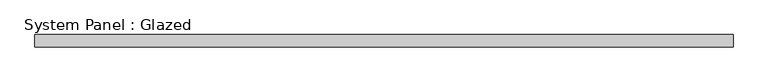
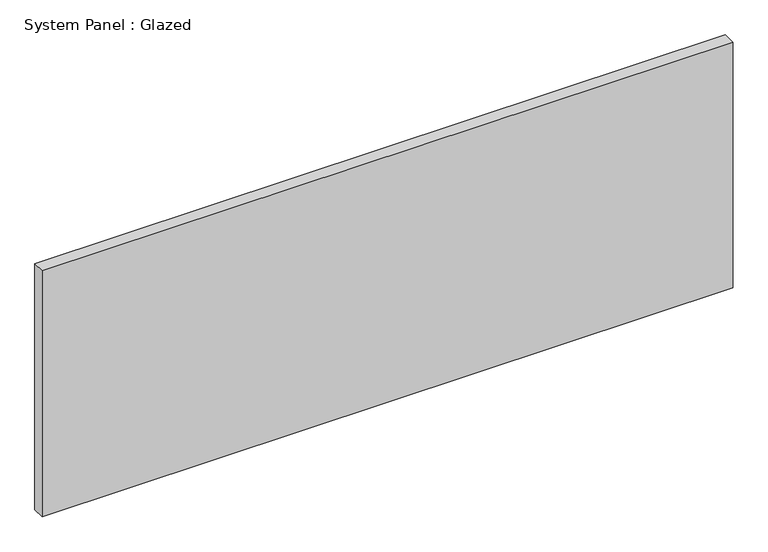
"""IFC4 building model written with IfcOpenShell, lengths in millimetres: plate geometry, System Panel : Glazed."""

import ifcopenshell
import ifcopenshell.guid

model = None  # the IFC model being written
_history = None  # IfcOwnerHistory: only IFC2X3 demands one
_inside = {}  # id of a spatial element -> (the spatial element, [elements in it])
_under = {}  # id of a project, library or spatial element -> (it, [spatial elements below it])
_declared = {}  # id of a project -> (the project, [libraries it declares])
_typed = {}  # id of a type object -> (the type object, [elements of that type])
_made_of = {}  # id of a material, layer set ... -> (it, [elements and type objects made of it])


def new_model(schema):
    """Start an empty IFC model of exactly this schema.

    Asked for "IFC4X3", IfcOpenShell would pick the latest addendum, in which some entities
    have other attributes; the version numbers below select the first issue.
    IFC2X3 requires an IfcOwnerHistory on every rooted entity: one is made here for all.
    """
    global model, _history
    if schema == "IFC4X3":
        model = ifcopenshell.file(schema_version=(4, 3, 0, 0))
    else:
        model = ifcopenshell.file(schema=schema)
    _inside.clear()
    _under.clear()
    _declared.clear()
    _typed.clear()
    _made_of.clear()
    _history = None
    if model.schema == "IFC2X3":
        org = make("IfcOrganization", Name="unknown")
        user = make(
            "IfcPersonAndOrganization",
            ThePerson=make("IfcPerson", FamilyName="unknown"),
            TheOrganization=org,
        )
        app = make(
            "IfcApplication",
            ApplicationDeveloper=org,
            Version="unknown",
            ApplicationFullName="unknown",
            ApplicationIdentifier="unknown",
        )
        _history = make(
            "IfcOwnerHistory",
            OwningUser=user,
            OwningApplication=app,
            ChangeAction="ADDED",
            CreationDate=0,
        )
    return model


def make(cls, **values):
    """One entity of the class cls with the attributes given. An attribute that is None is left unset."""
    return model.create_entity(
        cls, **{name: value for name, value in values.items() if value is not None}
    )


def rooted(cls, **values):
    """An entity with a GlobalId (a new one), such as an element, a storey or a relation."""
    return make(cls, GlobalId=ifcopenshell.guid.new(), OwnerHistory=_history, **values)


def si_unit(unit_type, name, prefix=None):
    """IfcSIUnit, for example si_unit("LENGTHUNIT", "METRE", prefix="MILLI")."""
    return make("IfcSIUnit", UnitType=unit_type, Prefix=prefix, Name=name)


def assignment(units):
    """IfcUnitAssignment: the units of a project."""
    return None if units is None else make("IfcUnitAssignment", Units=units)


def point(xyz):
    """IfcCartesianPoint."""
    return None if xyz is None else make("IfcCartesianPoint", Coordinates=xyz)


def direction(xyz):
    """IfcDirection."""
    return None if xyz is None else make("IfcDirection", DirectionRatios=xyz)


def frame(location, z_axis=None, x_axis=None):
    """IfcAxis2Placement3D, a coordinate frame: its origin and axes. An axis left out is left unset."""
    return make(
        "IfcAxis2Placement3D",
        Location=point(location),
        Axis=direction(z_axis),
        RefDirection=direction(x_axis),
    )


def origin():
    """The frame at (0, 0, 0) with its axes left unset."""
    return frame((0.0, 0.0, 0.0))


def origin_with_axes():
    """The frame at (0, 0, 0) with the z axis (0, 0, 1) and the x axis (1, 0, 0) written out."""
    return frame((0.0, 0.0, 0.0), z_axis=(0.0, 0.0, 1.0), x_axis=(1.0, 0.0, 0.0))


def place(relative_to, where):
    """IfcLocalPlacement: puts the frame where relative to a parent placement (None: the world)."""
    return make(
        "IfcLocalPlacement", PlacementRelTo=relative_to, RelativePlacement=where
    )


def context(
    kind, dimensions, precision=None, world=None, true_north=None, identifier=None
):
    """IfcGeometricRepresentationContext, for example the 3D "Model" context."""
    return make(
        "IfcGeometricRepresentationContext",
        ContextIdentifier=identifier,
        ContextType=kind,
        CoordinateSpaceDimension=dimensions,
        Precision=precision,
        WorldCoordinateSystem=world,
        TrueNorth=true_north,
    )


def project(units=None, contexts=None):
    """IfcProject with its units and contexts."""
    return rooted(
        "IfcProject",
        Name="project",
        RepresentationContexts=contexts,
        UnitsInContext=assignment(units),
    )


def spatial(cls, under=None, at=None, **own):
    """A site, building, storey or space (cls), placed at a placement, below another one or the project."""
    s = rooted(cls, ObjectPlacement=at, **own)
    if under is not None:
        _under.setdefault(under.id(), (under, []))[1].append(s)
    return s


def polyline(points):
    """IfcPolyline through the points."""
    return make("IfcPolyline", Points=[point(p) for p in points])


def outline(outer, holes=None, kind="AREA"):
    """IfcArbitraryClosedProfileDef: a profile drawn as a closed curve; with holes, ...WithVoids."""
    if holes is None:
        return make("IfcArbitraryClosedProfileDef", ProfileType=kind, OuterCurve=outer)
    return make(
        "IfcArbitraryProfileDefWithVoids",
        ProfileType=kind,
        OuterCurve=outer,
        InnerCurves=holes,
    )


def extrude(swept, where, along, depth):
    """IfcExtrudedAreaSolid: the profile swept, set in the frame where, extruded along a direction by depth."""
    return make(
        "IfcExtrudedAreaSolid",
        SweptArea=swept,
        Position=where,
        ExtrudedDirection=direction(along),
        Depth=depth,
    )


def shape(context_of_items, identifier, shape_type, items):
    """IfcShapeRepresentation: the items that make up one representation, for example the "Body"."""
    return make(
        "IfcShapeRepresentation",
        ContextOfItems=context_of_items,
        RepresentationIdentifier=identifier,
        RepresentationType=shape_type,
        Items=items,
    )


def source(mapping_origin, context_of_items, identifier, shape_type, items):
    """IfcRepresentationMap: a shape defined once, which mapped items show again and again."""
    return make(
        "IfcRepresentationMap",
        MappingOrigin=mapping_origin,
        MappedRepresentation=shape(context_of_items, identifier, shape_type, items),
    )


def transform(
    local_origin,
    x_axis=None,
    y_axis=None,
    z_axis=None,
    scale=None,
    scale2=None,
    scale3=None,
    uniform=True,
):
    """IfcCartesianTransformationOperator3D, or its non-uniform kind. x_axis, y_axis, z_axis: its Axis1, 2, 3."""
    if uniform:
        return make(
            "IfcCartesianTransformationOperator3D",
            Axis1=direction(x_axis),
            Axis2=direction(y_axis),
            LocalOrigin=point(local_origin),
            Scale=scale,
            Axis3=direction(z_axis),
        )
    return make(
        "IfcCartesianTransformationOperator3DnonUniform",
        Axis1=direction(x_axis),
        Axis2=direction(y_axis),
        LocalOrigin=point(local_origin),
        Scale=scale,
        Axis3=direction(z_axis),
        Scale2=scale2,
        Scale3=scale3,
    )


def mapped(mapping_source, mapping_target):
    """IfcMappedItem: shows the shape of a source again, moved by a transform."""
    return make(
        "IfcMappedItem", MappingSource=mapping_source, MappingTarget=mapping_target
    )


def made_of(thing, what):
    """Note that an element or type object is made of a material, layer set ...; save() writes the relation."""
    if what is not None:
        _made_of.setdefault(what.id(), (what, []))[1].append(thing)
    return thing


def element(
    cls,
    number,
    at=None,
    inside=None,
    cuts=None,
    type_object=None,
    material=None,
    context=None,
    identifier="Body",
    shape_type=None,
    held_by="IfcProductDefinitionShape",
    body=None,
    shapes=None,
    **own,
):
    """One element of the class cls, such as IfcWall. Its Tag is "e" and its number.

    at: its placement. inside: the storey or other place that contains it. cuts: it is an
    opening in that element (IfcRelVoidsElement). A single representation is given by context,
    identifier, shape_type and body (its items); several are given by shapes. held_by: the class
    of the entity that holds the representations. save() writes the other relations.
    """
    e = rooted(cls, Tag="e%d" % number, ObjectPlacement=at, **own)
    if body is not None:
        shapes = [shape(context, identifier, shape_type, body)]
    if shapes is not None:
        e.Representation = make(held_by, Representations=shapes)
    if inside is not None:
        _inside.setdefault(inside.id(), (inside, []))[1].append(e)
    if cuts is not None:
        rooted(
            "IfcRelVoidsElement", RelatingBuildingElement=cuts, RelatedOpeningElement=e
        )
    if type_object is not None:
        _typed.setdefault(type_object.id(), (type_object, []))[1].append(e)
    return made_of(e, material)


def aggregate(whole, parts):
    """IfcRelAggregates: a whole, such as a stair, and the parts it consists of."""
    return rooted("IfcRelAggregates", RelatingObject=whole, RelatedObjects=parts)


def save(model, path):
    """Write the relations noted so far, then the file.

    IfcRelAggregates (storeys below a building ...), IfcRelContainedInSpatialStructure (elements
    in a storey), IfcRelDefinesByType, IfcRelAssociatesMaterial and IfcRelDeclares: one each for
    every whole, place, type object, material and project.
    """
    for whole, parts in _under.values():
        aggregate(whole, parts)
    for where, things in _inside.values():
        rooted(
            "IfcRelContainedInSpatialStructure",
            RelatedElements=things,
            RelatingStructure=where,
        )
    for kind, things in _typed.values():
        rooted("IfcRelDefinesByType", RelatedObjects=things, RelatingType=kind)
    for what, things in _made_of.values():
        rooted("IfcRelAssociatesMaterial", RelatedObjects=things, RelatingMaterial=what)
    for by, libraries in _declared.values():
        rooted("IfcRelDeclares", RelatingContext=by, RelatedDefinitions=libraries)
    model.write(path)


def system_panel_glazed_276ae006(model_context):
    return source(origin(), model_context, "Body", "SweptSolid", [
        extrude(outline(polyline([(697.8124302, 24.5), (-697.8124302, 24.5), (-697.8124302, 49.5), (697.8124302, 49.5), (697.8124302, 24.5)])), origin_with_axes(), (0.0, 0.0, 1.0), 525.0),
    ])


if __name__ == "__main__":
    model = new_model("IFC4")
    model_context = context("Model", 3, world=origin())
    ifc_project = project(units=[si_unit("LENGTHUNIT", "METRE", prefix="MILLI")], contexts=[model_context])
    site = spatial("IfcSite", under=ifc_project)
    building = spatial("IfcBuilding", under=site)
    placement = place(None, origin())
    system_panel_glazed_shape = system_panel_glazed_276ae006(model_context)
    element("IfcPlate", 1, ObjectType="System Panel : Glazed", at=placement, inside=building, context=model_context, shape_type="MappedRepresentation", body=[
        mapped(system_panel_glazed_shape, transform((0.0, 0.0, 0.0), x_axis=(1.0, 0.0, 0.0), y_axis=(0.0, 1.0, 0.0), z_axis=(0.0, 0.0, 1.0))),
    ])
    save(model, "model.ifc")
